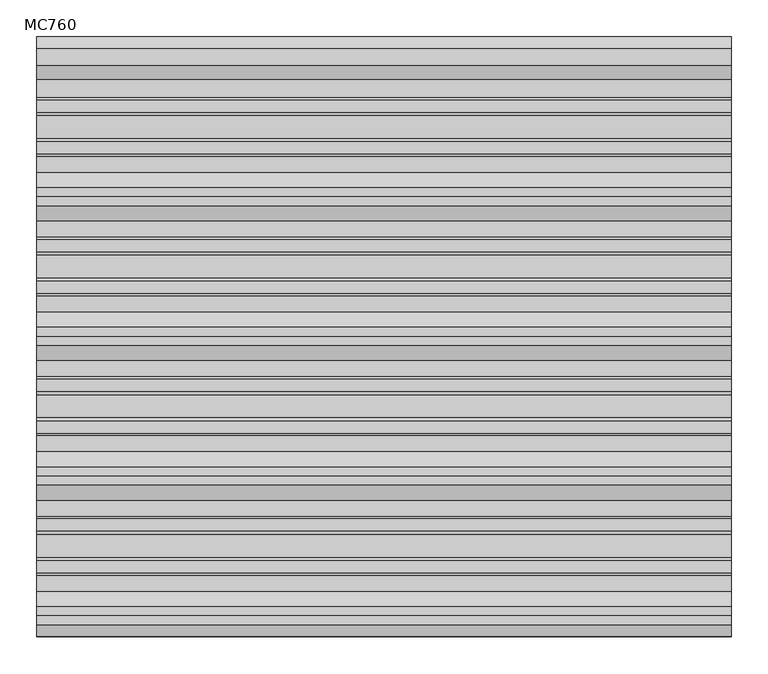
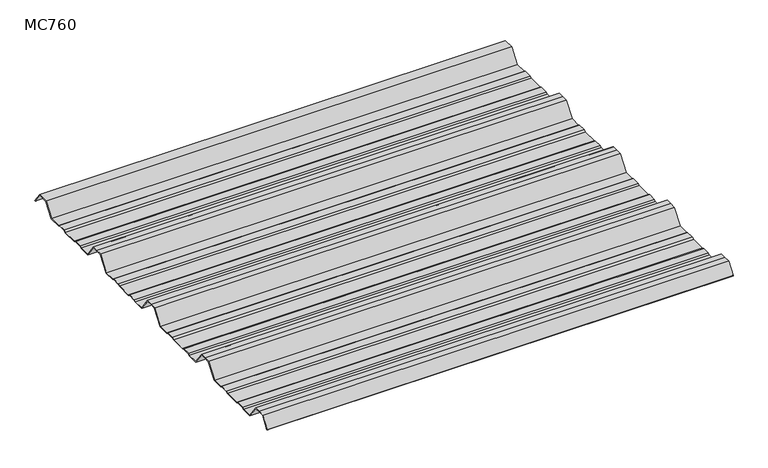
"""IFC4 building model written with IfcOpenShell, lengths in millimetres: beam geometry, MC760."""

from ifc_helpers import new_model, si_unit, point, frame, frame_2d, origin, place, context, project, spatial, polyline, circle_curve, trimmed, segment, composite_curve, outline, extrude, source, transform, mapped, element, save


def mc760_416b60a1(model_context):
    return source(origin(), model_context, "Body", "SweptSolid", [
        extrude(outline(composite_curve([segment(polyline([(-157.5000859, -25.7896475), (-178.0745114, 2.2103525), (-190.0, 2.2103525), (-201.9254886, 2.2103525), (-222.4999141, -25.7896475), (-245.1975582, -25.7896475), (-248.4126024, -23.7494212), (-264.8405937, -23.7494212), (-269.2209114, -25.7896475), (-300.7790886, -25.7896475), (-305.1594063, -23.7494212), (-321.5873976, -23.7494212), (-324.8024418, -25.7896475), (-347.5000859, -25.7896475), (-368.0745114, 2.2103525), (-380.0, 2.2103525), (-391.9254886, 2.2103525), (-412.4999141, -25.7896475), (-435.1975582, -25.7896475), (-438.4126024, -23.7494212), (-454.8405937, -23.7494212), (-459.2209114, -25.7896475), (-490.7790886, -25.7896475), (-495.1594063, -23.7494212), (-511.5873976, -23.7494212), (-514.8024418, -25.7896475), (-537.5000859, -25.7896475), (-558.0745114, 2.2103525), (-570.0, 2.2103525), (-581.9254886, 2.2103525), (-602.4999141, -25.7896475), (-625.1975582, -25.7896475), (-628.4126024, -23.7494212), (-644.8405937, -23.7494212), (-649.2209114, -25.7896475), (-680.7790886, -25.7896475), (-685.1594063, -23.7494212), (-701.5873976, -23.7494212), (-704.8024418, -25.7896475), (-727.5000859, -25.7896475), (-748.0745114, 2.2103525), (-760.0, 2.2103525), (-771.9254886, 2.2103525), (-787.4770979, -18.9540324)]), True, "CONTINUOUS"), segment(trimmed(circle_curve(frame_2d((-787.9022179, -18.6416538)), 0.5275485), [point((-787.4770979, -18.9540324))], [point((-788.327338, -18.3292752))], False, "CARTESIAN"), True, "CONTINUOUS"), segment(polyline([(-788.327338, -18.3292752), (-772.5, 3.2103525), (-760.0, 3.2103525), (-747.5, 3.2103525), (-726.9255746, -24.7896475), (-705.0929563, -24.7896475), (-701.8779121, -22.7494212), (-684.9379428, -22.7494212), (-680.5576251, -24.7896475), (-649.4423749, -24.7896475), (-645.0620572, -22.7494212), (-628.1220879, -22.7494212), (-624.9070437, -24.7896475), (-603.0744254, -24.7896475), (-582.5, 3.2103525), (-570.0, 3.2103525), (-557.5, 3.2103525), (-536.9255746, -24.7896475), (-515.0929563, -24.7896475), (-511.8779121, -22.7494212), (-494.9379428, -22.7494212), (-490.5576251, -24.7896475), (-459.4423749, -24.7896475), (-455.0620572, -22.7494212), (-438.1220879, -22.7494212), (-434.9070437, -24.7896475), (-413.0744254, -24.7896475), (-392.5, 3.2103525), (-380.0, 3.2103525), (-367.5, 3.2103525), (-346.9255746, -24.7896475), (-325.0929563, -24.7896475), (-321.8779121, -22.7494212), (-304.9379428, -22.7494212), (-300.5576251, -24.7896475), (-269.4423749, -24.7896475), (-265.0620572, -22.7494212), (-248.1220879, -22.7494212), (-244.9070437, -24.7896475), (-223.0744254, -24.7896475), (-202.5, 3.2103525), (-190.0, 3.2103525), (-177.5, 3.2103525), (-156.9255746, -24.7896475), (-135.0929563, -24.7896475), (-131.8779121, -22.7494212), (-114.9379428, -22.7494212), (-110.5576251, -24.7896475), (-79.4423749, -24.7896475), (-75.0620572, -22.7494212), (-58.1220879, -22.7494212), (-54.9070437, -24.7896475), (-30.524173, -24.7896475), (-11.4193494, 1.2103525), (11.4193494, 1.2103525), (27.9327415, -21.262935)]), True, "CONTINUOUS"), segment(trimmed(circle_curve(frame_2d((27.5298212, -21.5590012)), 0.5), [point((27.9327415, -21.262935))], [point((27.1269009, -21.8550675))], False, "CARTESIAN"), True, "CONTINUOUS"), segment(polyline([(27.1269009, -21.8550675), (10.9132102, 0.2103525), (-10.9132102, 0.2103525), (-30.0180338, -25.7896475), (-55.1975582, -25.7896475), (-58.4126024, -23.7494212), (-74.8405937, -23.7494212), (-79.2209114, -25.7896475), (-110.7790886, -25.7896475), (-115.1594063, -23.7494212), (-131.5873976, -23.7494212), (-134.8024418, -25.7896475), (-157.5000859, -25.7896475)]), True, "CONTINUOUS")], self_intersect=False)), frame((-472.5002337, 0.0, 0.0), z_axis=(1.0, 0.0, 0.0), x_axis=(0.0, 1.0, 0.0)), (0.0, 0.0, 1.0), 945.0004675),
    ])


if __name__ == "__main__":
    model = new_model("IFC4")
    model_context = context("Model", 3, world=origin())
    ifc_project = project(units=[si_unit("LENGTHUNIT", "METRE", prefix="MILLI")], contexts=[model_context])
    site = spatial("IfcSite", under=ifc_project)
    building = spatial("IfcBuilding", under=site)
    placement = place(None, origin())
    mc760_shape = mc760_416b60a1(model_context)
    element("IfcBeam", 1, ObjectType="MC760", at=placement, inside=building, context=model_context, shape_type="MappedRepresentation", body=[
        mapped(mc760_shape, transform((0.0, 0.0, 0.0), x_axis=(1.0, 0.0, 0.0), y_axis=(0.0, 1.0, 0.0), z_axis=(0.0, 0.0, 1.0))),
    ])
    save(model, "model.ifc")
